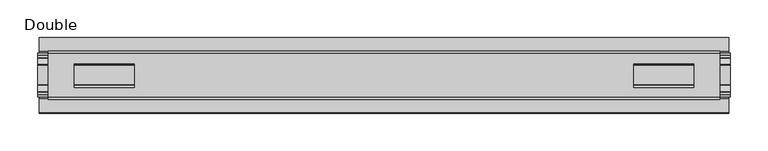
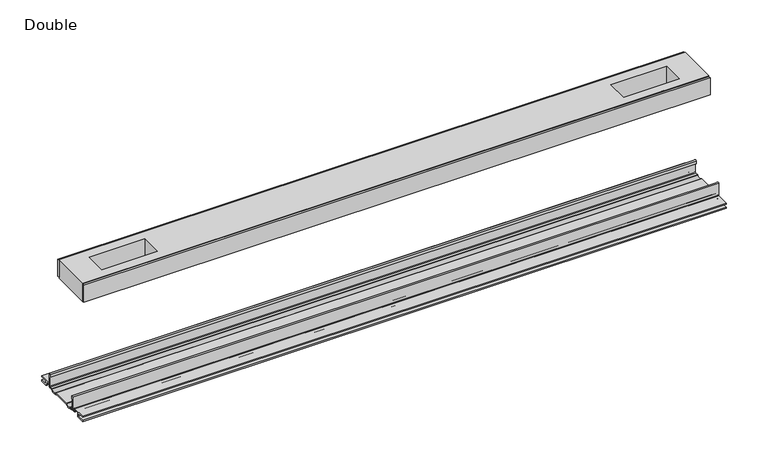
"""IFC4 building model written with IfcOpenShell, lengths in millimetres: proxy geometry, Double."""

from ifc_helpers import new_model, si_unit, point, frame, frame_2d, origin, place, context, project, spatial, polyline, circle_curve, trimmed, segment, composite_curve, outline, extrude, source, transform, mapped, element, save


def double_4ddde976(model_context):
    return source(origin(), model_context, "Body", "SweptSolid", [
        extrude(outline(polyline([(444.4365091, -29.0068005), (444.4365091, -32.1817997), (-444.4365091, -32.1817997), (-444.4365091, -29.0068005), (444.4365091, -29.0068005)])), frame((0.0, 0.0, 149.8401622), z_axis=(0.0, 0.0, 1.0), x_axis=(1.0, 0.0, 0.0)), (0.0, 0.0, 1.0), 25.3999939),
        extrude(outline(polyline([(444.4365091, 32.1817997), (444.4365091, 29.0068005), (-444.4365091, 29.0068005), (-444.4365091, 32.1817997), (444.4365091, 32.1817997)])), frame((0.0, 0.0, 149.8401622), z_axis=(0.0, 0.0, 1.0), x_axis=(1.0, 0.0, 0.0)), (0.0, 0.0, 1.0), 25.3999939),
        extrude(outline(polyline([(444.4365091, 29.0068005), (444.4365091, -29.0068005), (-444.4365091, -29.0068005), (-444.4365091, 29.0068005), (444.4365091, 29.0068005)]), holes=[polyline([(410.0194965, 15.1130038), (330.9746847, 15.1130038), (330.9746847, -15.875003), (410.0194965, -15.875003), (410.0194965, 15.1130038)]), polyline([(-410.0194965, 15.1130038), (-410.0194965, -15.875003), (-330.9746847, -15.875003), (-330.9746847, 15.1130038), (-410.0194965, 15.1130038)])]), frame((0.0, 0.0, 148.4185847), z_axis=(0.0, 0.0, 1.0), x_axis=(1.0, 0.0, 0.0)), (0.0, 0.0, 1.0), 27.9999988),
        extrude(outline(composite_curve([segment(polyline([(-28.8162961, -7.7516037), (-28.8162961, 9.8607558)]), True, "CONTINUOUS"), segment(trimmed(circle_curve(frame_2d((-27.5970982, 9.8607558)), 1.2191979), [point((-28.8162961, 9.8607558))], [point((-26.3779003, 9.8607558))], False, "CARTESIAN"), True, "CONTINUOUS"), segment(polyline([(-26.3779003, 9.8607558), (-26.3779003, 5.9999563), (-27.6580769, 5.9999563), (-27.6580769, -7.7516037)]), True, "CONTINUOUS"), segment(trimmed(circle_curve(frame_2d((-26.6420561, -7.7516037)), 1.0160208), [point((-27.6580769, -7.7516037))], [point((-26.6485732, -8.7676036))], True, "CARTESIAN"), True, "CONTINUOUS"), segment(polyline([(-26.6485732, -8.7676036), (-22.7056226, -8.7676036), (-21.7922609, -8.968753)]), True, "CONTINUOUS"), segment(trimmed(circle_curve(frame_2d((-17.7673021, -6.1259382)), 4.9276657), [point((-21.7922609, -8.968753))], [point((-13.7423434, -8.968753))], True, "CARTESIAN"), True, "CONTINUOUS"), segment(polyline([(-13.7423434, -8.968753), (-12.8289726, -8.7676036), (13.2099722, -8.7676036), (14.123343, -8.968753)]), True, "CONTINUOUS"), segment(trimmed(circle_curve(frame_2d((18.1483018, -6.1259382)), 4.9276657), [point((14.123343, -8.968753))], [point((22.1732605, -8.968753))], True, "CARTESIAN"), True, "CONTINUOUS"), segment(polyline([(22.1732605, -8.968753), (23.0866222, -8.7676036), (27.0295728, -8.7676036)]), True, "CONTINUOUS"), segment(trimmed(circle_curve(frame_2d((27.0230557, -7.7516037)), 1.0160208), [point((27.0295728, -8.7676036))], [point((28.0390765, -7.7516037))], True, "CARTESIAN"), True, "CONTINUOUS"), segment(polyline([(28.0390765, -7.7516037), (28.0390765, 5.9999563), (26.7588999, 5.9999563), (26.7588999, 9.8607558)]), True, "CONTINUOUS"), segment(trimmed(circle_curve(frame_2d((27.9780978, 9.8607558)), 1.2191979), [point((26.7588999, 9.8607558))], [point((29.1972958, 9.8607558))], False, "CARTESIAN"), True, "CONTINUOUS"), segment(polyline([(29.1972958, 9.8607558), (29.1972958, -7.7516037)]), True, "CONTINUOUS"), segment(trimmed(circle_curve(frame_2d((27.0230557, -7.7516037)), 2.17424), [point((29.1972958, -7.7516037))], [point((27.0230557, -9.9258438))], False, "CARTESIAN"), True, "CONTINUOUS"), segment(polyline([(27.0230557, -9.9258438), (22.732069, -9.9258438)]), True, "CONTINUOUS"), segment(trimmed(circle_curve(frame_2d((18.1516545, -6.4800016)), 5.7318431), [point((22.732069, -9.9258438))], [point((13.57124, -9.9258438))], False, "CARTESIAN"), True, "CONTINUOUS"), segment(polyline([(13.57124, -9.9258438), (-13.1902404, -9.9258438)]), True, "CONTINUOUS"), segment(trimmed(circle_curve(frame_2d((-17.7706549, -6.4800016)), 5.7318431), [point((-13.1902404, -9.9258438))], [point((-22.3510694, -9.9258438))], False, "CARTESIAN"), True, "CONTINUOUS"), segment(polyline([(-22.3510694, -9.9258438), (-26.6420561, -9.9258438)]), True, "CONTINUOUS"), segment(trimmed(circle_curve(frame_2d((-26.6420561, -7.7516037)), 2.17424), [point((-26.6420561, -9.9258438))], [point((-28.8162961, -7.7516037))], False, "CARTESIAN"), True, "CONTINUOUS")], self_intersect=False)), frame((-458.4954, 0.0, 0.0), z_axis=(1.0, 0.0, 0.0), x_axis=(0.0, 1.0, 0.0)), (0.0, 0.0, 1.0), 916.9908),
        extrude(outline(composite_curve([segment(polyline([(-50.2668422, -13.9898438), (-50.2240211, -12.3388438), (-39.7827507, -12.3388438), (-39.7827507, -7.766844), (-50.2240211, -7.766844), (-50.2668422, -6.1158439), (-31.1784975, -6.1158439)]), True, "CONTINUOUS"), segment(trimmed(circle_curve(frame_2d((-31.1784975, -7.6398436)), 1.5239997), [point((-31.1784975, -6.1158439))], [point((-29.6544978, -7.6398436))], False, "CARTESIAN"), True, "CONTINUOUS"), segment(polyline([(-29.6544978, -7.6398436), (-29.6544978, -9.9258438), (-23.1058344, -9.9258438)]), True, "CONTINUOUS"), segment(trimmed(circle_curve(frame_2d((-17.7673021, -5.2268471)), 7.1119966), [point((-23.1058344, -9.9258438))], [point((-12.4287699, -9.9258438))], True, "CARTESIAN"), True, "CONTINUOUS"), segment(polyline([(-12.4287699, -9.9258438), (12.8097695, -9.9258438)]), True, "CONTINUOUS"), segment(trimmed(circle_curve(frame_2d((18.1483018, -5.2268471)), 7.1119966), [point((12.8097695, -9.9258438))], [point((23.486834, -9.9258438))], True, "CARTESIAN"), True, "CONTINUOUS"), segment(polyline([(23.486834, -9.9258438), (30.0354975, -9.9258438), (30.0354975, -7.7656583)]), True, "CONTINUOUS"), segment(trimmed(circle_curve(frame_2d((31.6864982, -7.7656583)), 1.6510007), [point((30.0354975, -7.7656583))], [point((31.6239218, -6.1158439))], False, "CARTESIAN"), True, "CONTINUOUS"), segment(polyline([(31.6239218, -6.1158439), (50.00625, -6.1158439), (50.00625, -7.766844), (40.1637503, -7.766844), (40.1637503, -12.3388438), (50.00625, -12.3388438), (50.00625, -13.9898438), (40.0367518, -13.9898438)]), True, "CONTINUOUS"), segment(trimmed(circle_curve(frame_2d((40.0367518, -12.4658438)), 1.524), [point((40.0367518, -13.9898438))], [point((38.5127519, -12.4658438))], False, "CARTESIAN"), True, "CONTINUOUS"), segment(polyline([(38.5127519, -12.4658438), (38.5127519, -7.766844), (31.686497, -7.766844), (31.686497, -10.0528438)]), True, "CONTINUOUS"), segment(trimmed(circle_curve(frame_2d((30.1624971, -10.0528438)), 1.524), [point((31.686497, -10.0528438))], [point((30.1624971, -11.5768438))], False, "CARTESIAN"), True, "CONTINUOUS"), segment(polyline([(30.1624971, -11.5768438), (23.6563549, -11.5768438)]), True, "CONTINUOUS"), segment(trimmed(circle_curve(frame_2d((18.1483018, -6.4968436)), 7.4930002), [point((23.6563549, -11.5768438))], [point((12.8904968, -11.8354331))], False, "CARTESIAN"), True, "CONTINUOUS"), segment(polyline([(12.8904968, -11.8354331), (-12.5094972, -11.8354331)]), True, "CONTINUOUS"), segment(trimmed(circle_curve(frame_2d((-17.7673021, -6.4968436)), 7.4930002), [point((-12.5094972, -11.8354331))], [point((-23.2753553, -11.5768438))], False, "CARTESIAN"), True, "CONTINUOUS"), segment(polyline([(-23.2753553, -11.5768438), (-29.7814974, -11.5768438)]), True, "CONTINUOUS"), segment(trimmed(circle_curve(frame_2d((-29.7814974, -10.0528438)), 1.524), [point((-29.7814974, -11.5768438))], [point((-31.3054974, -10.0528438))], False, "CARTESIAN"), True, "CONTINUOUS"), segment(polyline([(-31.3054974, -10.0528438), (-31.3054974, -7.766844), (-38.1317522, -7.766844), (-38.1317522, -12.4658438)]), True, "CONTINUOUS"), segment(trimmed(circle_curve(frame_2d((-39.6557522, -12.4658438)), 1.524), [point((-38.1317522, -12.4658438))], [point((-39.6557522, -13.9898438))], False, "CARTESIAN"), True, "CONTINUOUS"), segment(polyline([(-39.6557522, -13.9898438), (-50.2668422, -13.9898438)]), True, "CONTINUOUS")], self_intersect=False)), frame((-456.8444, 0.0, 0.0), z_axis=(1.0, 0.0, 0.0), x_axis=(0.0, 1.0, 0.0)), (0.0, 0.0, 1.0), 913.6888),
    ])


if __name__ == "__main__":
    model = new_model("IFC4")
    model_context = context("Model", 3, world=origin())
    ifc_project = project(units=[si_unit("LENGTHUNIT", "METRE", prefix="MILLI")], contexts=[model_context])
    site = spatial("IfcSite", under=ifc_project)
    building = spatial("IfcBuilding", under=site)
    placement = place(None, origin())
    double_shape = double_4ddde976(model_context)
    element("IfcBuildingElementProxy", 1, Name="Double", ObjectType="Double", at=placement, inside=building, context=model_context, shape_type="MappedRepresentation", body=[
        mapped(double_shape, transform((0.0, 0.0, 0.0), x_axis=(1.0, 0.0, 0.0), y_axis=(0.0, 1.0, 0.0), z_axis=(0.0, 0.0, 1.0))),
    ])
    save(model, "model.ifc")
